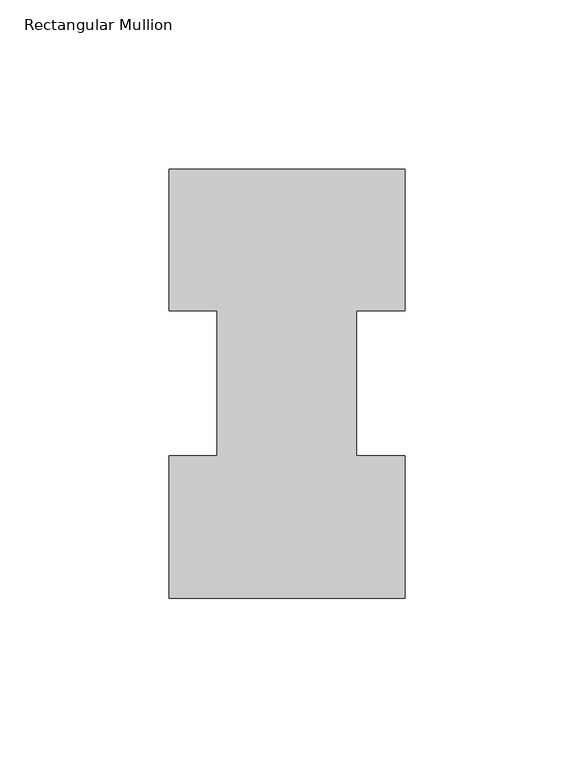
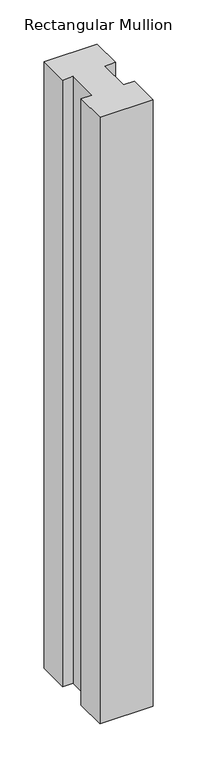
"""IFC4 building model written with IfcOpenShell, lengths in millimetres: member geometry, Rectangular Mullion."""

from ifc_helpers import new_model, si_unit, frame, origin, place, context, project, spatial, polyline, outline, extrude, source, transform, mapped, element, save


def rectangular_mullion_3b9b97ec(model_context):
    return source(origin(), model_context, "Body", "SweptSolid", [
        extrude(outline(polyline([(34.925, 127.0107359), (34.925, 85.1296875), (20.64004, 85.1296875), (20.64004, 42.2763359), (34.925, 42.2763359), (34.925, 0.0107359), (-34.925, 0.0107359), (-34.925, 42.2834391), (-20.64004, 42.2834391), (-20.64004, 85.1296875), (-34.925, 85.1296875), (-34.925, 127.0107359), (34.925, 127.0107359)])), frame((0.0, 0.0, -839.7738413), z_axis=(0.0, 0.0, 1.0), x_axis=(1.0, 0.0, 0.0)), (0.0, 0.0, 1.0), 839.7738413),
    ])


if __name__ == "__main__":
    model = new_model("IFC4")
    model_context = context("Model", 3, world=origin())
    ifc_project = project(units=[si_unit("LENGTHUNIT", "METRE", prefix="MILLI")], contexts=[model_context])
    site = spatial("IfcSite", under=ifc_project)
    building = spatial("IfcBuilding", under=site)
    placement = place(None, origin())
    rectangular_mullion_shape = rectangular_mullion_3b9b97ec(model_context)
    element("IfcMember", 1, ObjectType="Rectangular Mullion", at=placement, inside=building, context=model_context, shape_type="MappedRepresentation", body=[
        mapped(rectangular_mullion_shape, transform((0.0, 0.0, 0.0), x_axis=(1.0, 0.0, 0.0), y_axis=(0.0, 1.0, 0.0), z_axis=(0.0, 0.0, 1.0))),
    ])
    save(model, "model.ifc")
